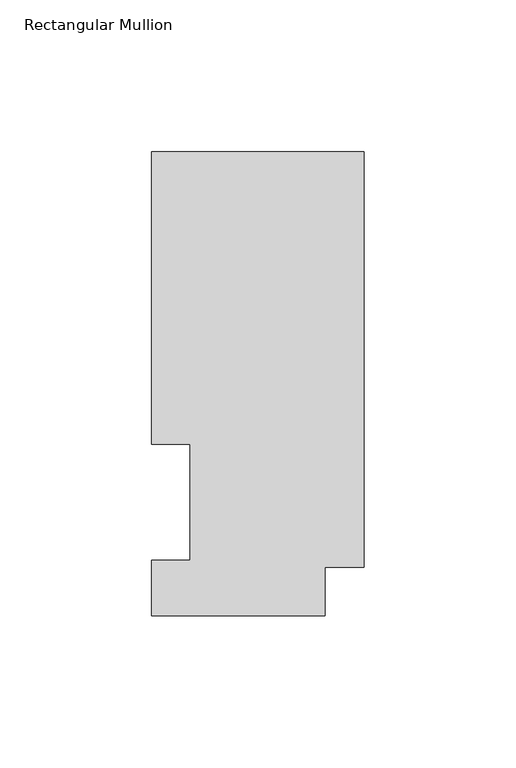
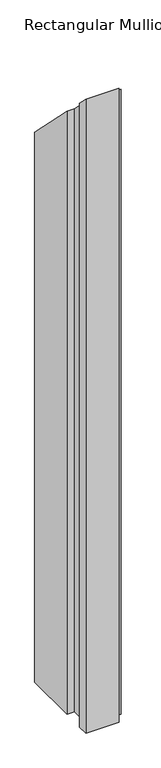
"""IFC4 building model written with IfcOpenShell, lengths in millimetres: member geometry, Rectangular Mullion."""

from ifc_helpers import new_model, si_unit, origin, place, context, project, spatial, faceted_brep, source, transform, mapped, element, save


def rectangular_mullion_13dbdaa9(model_context):
    return source(origin(), model_context, "Body", "Brep", [
        faceted_brep([(-69.9516, 152.6475062, -1156.065125), (0.0, 152.6475062, -1156.065125), (0.0, 15.86865, -1156.065125), (-12.8016, 15.86865, -1156.065125), (-12.8016, -0.03175, -1156.065125), (-69.9516, -0.03175, -1156.065125), (-69.9516, 18.25625, -1156.065125), (-57.2516, 18.25625, -1156.065125), (-57.2516, 56.35625, -1156.065125), (-69.9516, 56.35625, -1156.065125), (-69.9516, 56.35625, -56.35625), (-69.9516, 152.6475062, -152.6475062), (-57.2516, 56.35625, -56.35625), (-57.2516, 18.25625, -18.25625), (-69.9516, 18.25625, -18.25625), (-69.9516, -0.03175, 0.03175), (-12.8016, -0.03175, 0.03175), (-12.8016, 15.86865, -15.86865), (0.0, 15.86865, -15.86865), (0.0, 152.6475062, -152.6475062)], [[[0, 1, 2, 3, 4, 5, 6, 7, 8, 9]], [[10, 11, 0, 9]], [[12, 10, 9, 8]], [[13, 12, 8, 7]], [[14, 13, 7, 6]], [[15, 14, 6, 5]], [[16, 15, 5, 4]], [[17, 16, 4, 3]], [[18, 17, 3, 2]], [[19, 18, 2, 1]], [[11, 19, 1, 0]], [[11, 10, 12, 13, 14, 15, 16, 17, 18, 19]]]),
    ])


if __name__ == "__main__":
    model = new_model("IFC4")
    model_context = context("Model", 3, world=origin())
    ifc_project = project(units=[si_unit("LENGTHUNIT", "METRE", prefix="MILLI")], contexts=[model_context])
    site = spatial("IfcSite", under=ifc_project)
    building = spatial("IfcBuilding", under=site)
    placement = place(None, origin())
    rectangular_mullion_shape = rectangular_mullion_13dbdaa9(model_context)
    element("IfcMember", 1, ObjectType="Rectangular Mullion", at=placement, inside=building, context=model_context, shape_type="MappedRepresentation", body=[
        mapped(rectangular_mullion_shape, transform((0.0, 0.0, 0.0), x_axis=(1.0, 0.0, 0.0), y_axis=(0.0, 1.0, 0.0), z_axis=(0.0, 0.0, 1.0))),
    ])
    save(model, "model.ifc")
